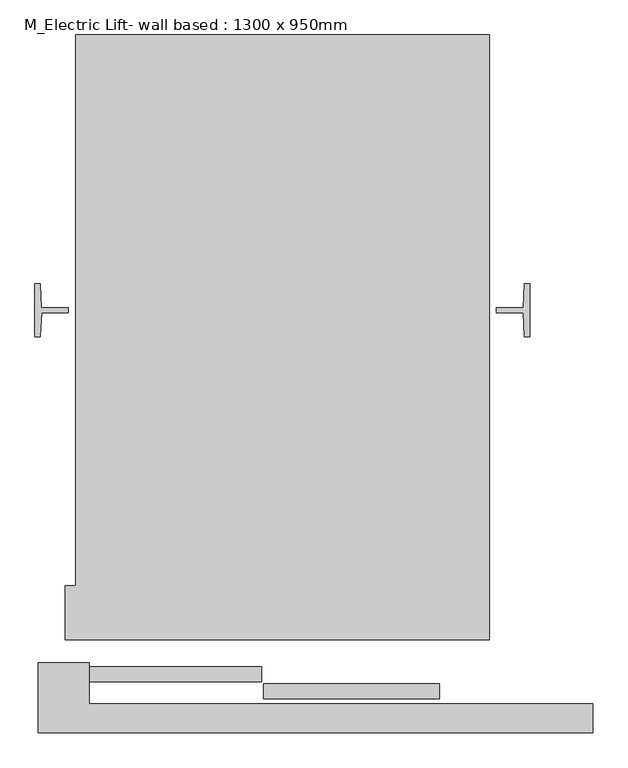
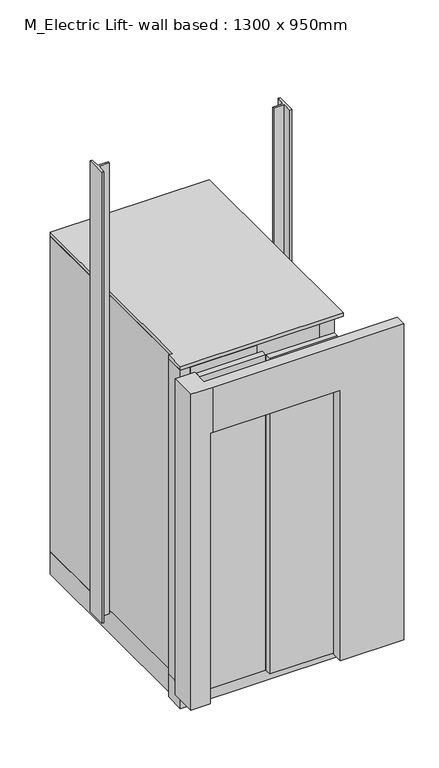
"""IFC4 building model written with IfcOpenShell, lengths in millimetres: proxy geometry, M_Electric Lift- wall based : 1300 x 950mm."""

from ifc_helpers import new_model, si_unit, frame, origin, origin_with_axes, place, context, project, spatial, polyline, outline, extrude, faceted_brep, source, transform, mapped, element, save


def m_electric_lift_wall_based_1300_x_950mm_a2016c23(model_context):
    return source(origin(), model_context, "Body", "SolidModel", [
        extrude(outline(polyline([(-375.0, 1590.0000633), (625.0, 1590.0000633), (625.0, 130.0), (-400.0, 130.0), (-400.0, 260.0008701), (-375.0, 260.0008701), (-375.0, 1590.0000633)])), frame((0.0, 0.0, -150.0), z_axis=(0.0, 0.0, 1.0), x_axis=(1.0, 0.0, 0.0)), (0.0, 0.0, 1.0), 150.0),
        extrude(outline(polyline([(-375.0, 260.0008701), (-375.0, 1590.0000633), (625.0, 1590.0000633), (625.0, 130.0), (-400.0, 130.0), (-400.0, 260.0008701), (-375.0, 260.0008701)])), frame((0.0, 0.0, 2100.0), z_axis=(0.0, 0.0, 1.0), x_axis=(1.0, 0.0, 0.0)), (0.0, 0.0, 1.0), 25.0),
        extrude(outline(polyline([(-375.0, 260.0008701), (-375.0, 1590.0000633), (625.0, 1590.0000633), (625.0, 232.1745839), (475.0000477, 232.1745839), (475.0000477, 260.0004667), (600.0, 260.0004667), (600.0, 1560.0004667), (-350.0, 1560.0004667), (-350.0, 1040.0004667), (-335.2393463, 1040.0004667), (-335.2393463, 810.0004667), (-349.9999046, 810.0004667), (-349.9999046, 260.0008701), (-317.0035134, 260.0008701), (-317.0035134, 214.001677), (-342.0035134, 214.001677), (-342.0035134, 130.0), (-400.0, 130.0), (-400.0, 260.0008701), (-375.0, 260.0008701)])), origin_with_axes(), (0.0, 0.0, 1.0), 2100.0),
        faceted_brep([(-325.0035134, -95.4213859, 2100.0), (875.0000525, -95.4213859, 2100.0), (875.0000525, -25.4213859, 2100.0), (-342.0035134, -25.4213859, 2100.0), (-342.0035134, 74.5786141, 2100.0), (-465.0035134, 74.5786141, 2100.0), (-465.0035134, -95.4213859, 2100.0), (-465.0035134, -95.4213859, 0.0), (-465.0035134, 74.5786141, 0.0), (-342.0035134, 74.5786141, 0.0), (-342.0035134, -95.4213859, 0.0), (875.0000525, -25.4213859, 0.0), (875.0000525, -95.4213859, 0.0), (475.0000477, -95.4213859, 0.0), (475.0000477, -25.4213859, 0.0), (-325.0035134, -95.4213859, 1800.0), (475.0000477, -95.4213859, 1800.0), (475.0000477, -25.4213859, 1800.0), (-342.0035134, -25.4213859, 1800.0), (-342.0035134, -95.4213859, 1800.0)], [[[0, 1, 2, 3, 4, 5, 6]], [[7, 8, 9, 10]], [[11, 12, 13, 14]], [[1, 0, 15, 16, 13, 12]], [[2, 1, 12, 11]], [[3, 2, 11, 14, 17, 18]], [[4, 3, 18, 19, 10, 9]], [[5, 4, 9, 8]], [[6, 5, 8, 7]], [[0, 6, 7, 10, 19, 15]], [[19, 18, 17, 16, 15]], [[16, 17, 14, 13]]]),
        extrude(outline(polyline([(498.0000477, 210.8599994), (498.0000477, 174.8599994), (74.0000482, 174.8599994), (74.0000482, 210.8599994), (498.0000477, 210.8599994)])), origin_with_axes(), (0.0, 0.0, 1.0), 2100.0),
        extrude(outline(polyline([(80.0000482, 165.999237), (80.0000482, 129.999237), (-340.0034503, 129.999237), (-340.0034503, 165.999237), (80.0000482, 165.999237)])), origin_with_axes(), (0.0, 0.0, 1.0), 2100.0),
        extrude(outline(polyline([(-340.0, 64.4999606), (75.0000482, 64.4999606), (75.0000482, 28.4999606), (-340.0, 28.4999606), (-340.0, 64.4999606)])), origin_with_axes(), (0.0, 0.0, 1.0), 2100.0),
        extrude(outline(polyline([(79.0000482, 22.9999606), (505.0000477, 22.9999606), (505.0000477, -13.0000394), (79.0000482, -13.0000394), (79.0000482, 22.9999606)])), origin_with_axes(), (0.0, 0.0, 1.0), 2100.0),
        extrude(outline(polyline([(-457.1071559, 931.195743), (-392.0208909, 931.195743), (-392.0208909, 918.7001269), (-457.0209381, 918.7001269), (-460.0209381, 861.5001269), (-473.0208905, 861.5001269), (-473.0208905, 988.5001269), (-460.0209381, 988.5001269), (-457.1071559, 931.195743)])), origin_with_axes(), (0.0, 0.0, 1.0), 3000.0),
        extrude(outline(polyline([(707.0209858, 918.7001269), (642.0209863, 918.7001269), (642.0209863, 931.195743), (707.1072036, 931.195743), (710.0209858, 988.5004667), (723.0209858, 988.5004667), (723.0209858, 861.5004667), (710.0209858, 861.5004667), (707.0209858, 918.7001269)])), origin_with_axes(), (0.0, 0.0, 1.0), 3000.0),
    ])


if __name__ == "__main__":
    model = new_model("IFC4")
    model_context = context("Model", 3, world=origin())
    ifc_project = project(units=[si_unit("LENGTHUNIT", "METRE", prefix="MILLI")], contexts=[model_context])
    site = spatial("IfcSite", under=ifc_project)
    building = spatial("IfcBuilding", under=site)
    placement = place(None, origin())
    m_electric_lift_wall_based_1300_x_950mm_shape = m_electric_lift_wall_based_1300_x_950mm_a2016c23(model_context)
    element("IfcBuildingElementProxy", 1, Name="M_Electric Lift- wall based : 1300 x 950mm", ObjectType="M_Electric Lift- wall based : 1300 x 950mm", at=placement, inside=building, context=model_context, shape_type="MappedRepresentation", body=[
        mapped(m_electric_lift_wall_based_1300_x_950mm_shape, transform((0.0, 0.0, 0.0), x_axis=(1.0, 0.0, 0.0), y_axis=(0.0, 1.0, 0.0), z_axis=(0.0, 0.0, 1.0))),
    ])
    save(model, "model.ifc")
